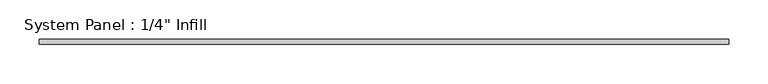
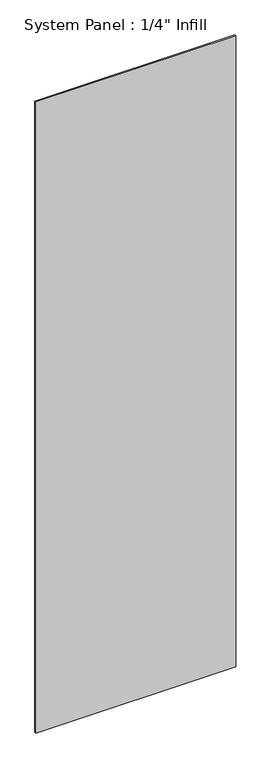
"""IFC4 building model written with IfcOpenShell, lengths in millimetres: plate geometry."""

from ifc_helpers import new_model, si_unit, origin, origin_with_axes, place, context, project, spatial, polyline, outline, extrude, source, transform, mapped, element, save


def plate_fd4f4631(model_context):
    return source(origin(), model_context, "Body", "SweptSolid", [
        extrude(outline(polyline([(441.3250951, 25.4), (-441.3250951, 25.4), (-441.3250951, 31.75), (441.3250951, 31.75), (441.3250951, 25.4)])), origin_with_axes(), (0.0, 0.0, 1.0), 2946.4),
    ])


if __name__ == "__main__":
    model = new_model("IFC4")
    model_context = context("Model", 3, world=origin())
    ifc_project = project(units=[si_unit("LENGTHUNIT", "METRE", prefix="MILLI")], contexts=[model_context])
    site = spatial("IfcSite", under=ifc_project)
    building = spatial("IfcBuilding", under=site)
    placement = place(None, origin())
    plate_shape = plate_fd4f4631(model_context)
    element("IfcPlate", 1, ObjectType="System Panel : 1/4\" Infill", at=placement, inside=building, context=model_context, shape_type="MappedRepresentation", body=[
        mapped(plate_shape, transform((0.0, 0.0, 0.0), x_axis=(1.0, 0.0, 0.0), y_axis=(0.0, 1.0, 0.0), z_axis=(0.0, 0.0, 1.0))),
    ])
    save(model, "model.ifc")
